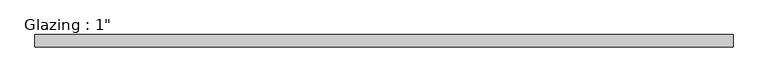
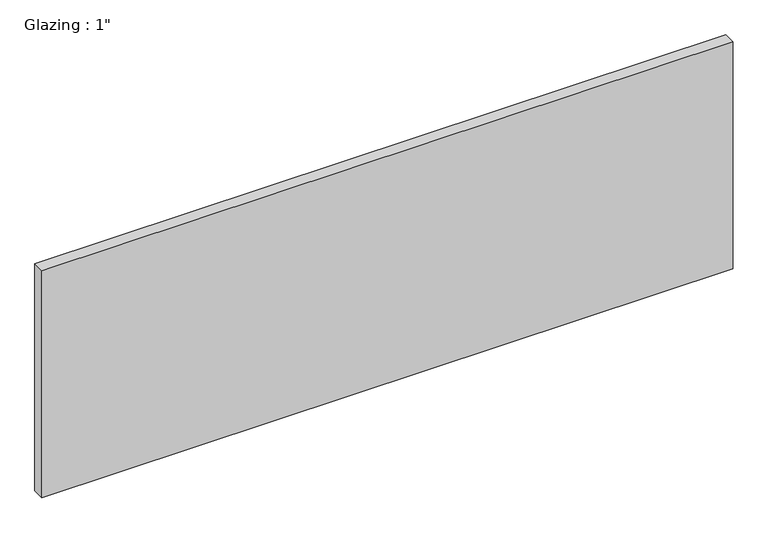
"""IFC4 building model written with IfcOpenShell, lengths in millimetres: plate geometry."""

from ifc_helpers import new_model, si_unit, origin, origin_with_axes, place, context, project, spatial, polyline, outline, extrude, source, transform, mapped, element, save


def plate_23c38c6f(model_context):
    return source(origin(), model_context, "Body", "SweptSolid", [
        extrude(outline(polyline([(717.0516736, -12.7), (-717.0516736, -12.7), (-717.0516736, 12.7), (717.0516736, 12.7), (717.0516736, -12.7)])), origin_with_axes(), (0.0, 0.0, 1.0), 497.9851068),
    ])


if __name__ == "__main__":
    model = new_model("IFC4")
    model_context = context("Model", 3, world=origin())
    ifc_project = project(units=[si_unit("LENGTHUNIT", "METRE", prefix="MILLI")], contexts=[model_context])
    site = spatial("IfcSite", under=ifc_project)
    building = spatial("IfcBuilding", under=site)
    placement = place(None, origin())
    plate_shape = plate_23c38c6f(model_context)
    element("IfcPlate", 1, ObjectType="Glazing : 1\"", at=placement, inside=building, context=model_context, shape_type="MappedRepresentation", body=[
        mapped(plate_shape, transform((0.0, 0.0, 0.0), x_axis=(1.0, 0.0, 0.0), y_axis=(0.0, 1.0, 0.0), z_axis=(0.0, 0.0, 1.0))),
    ])
    save(model, "model.ifc")
